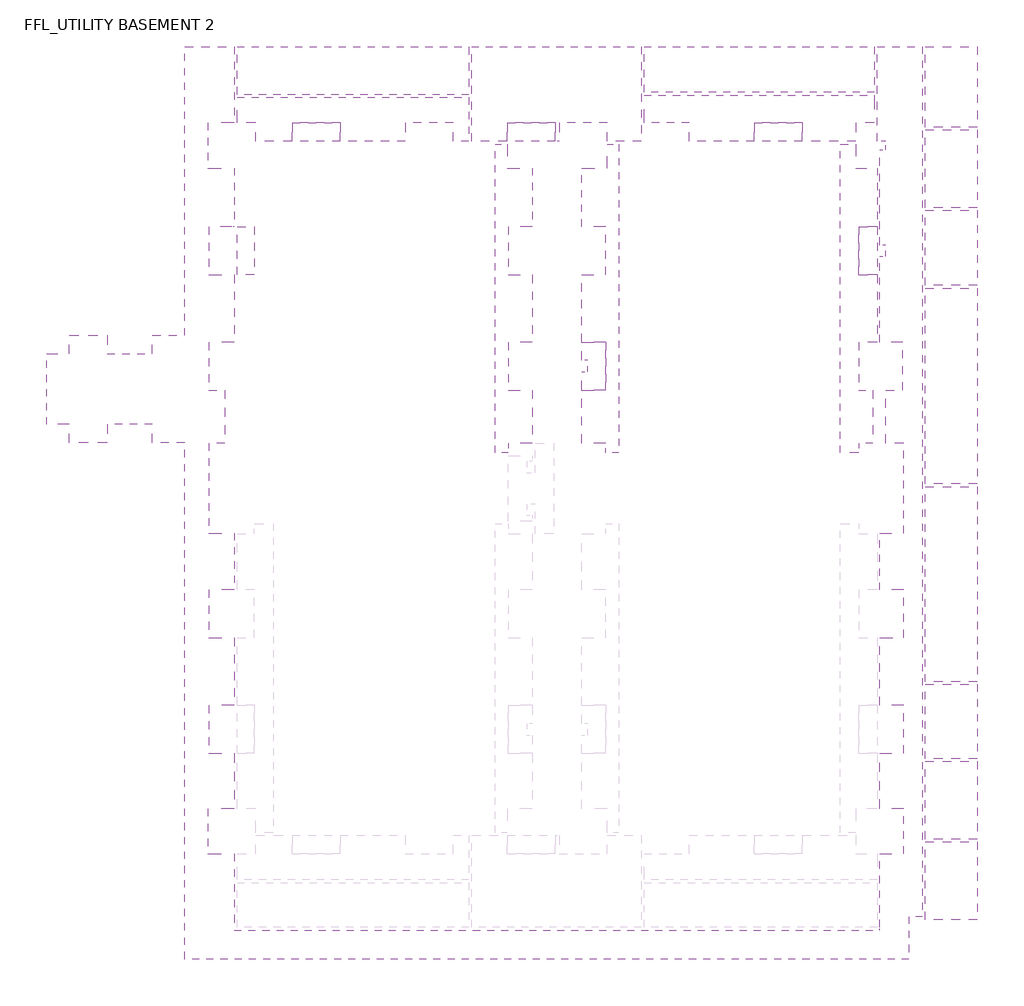
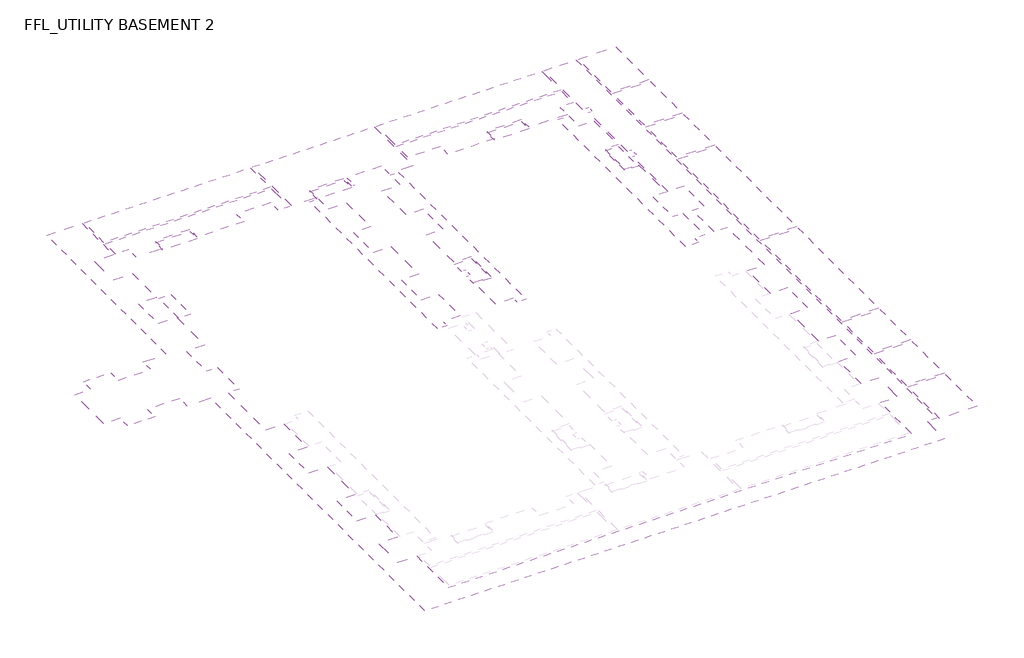
# One storey, part 3 of 3: 23 coverings.
"""IFC4 building model written with IfcOpenShell, lengths in millimetres."""

from ifc_helpers import new_model, si_unit, frame, origin, place, context, project, spatial, polyline, outline, extrude, element, save

model = new_model("IFC4")

# Units and contexts
model_context = context("Model", 3, world=origin())
ifc_project = project(units=[si_unit("LENGTHUNIT", "METRE", prefix="MILLI")], contexts=[model_context])

# Site, building, storey
site = spatial("IfcSite", under=ifc_project)
building = spatial("IfcBuilding", under=site)
storey = spatial("IfcBuildingStorey", under=building, Name="FFL_UTILITY BASEMENT 2", Elevation=-10050.0)

# Coverings
placement = place(None, origin())
element("IfcCovering", 1, ObjectType="Plaster Paint", at=placement, inside=storey, context=model_context, shape_type="SweptSolid", body=[
    extrude(outline(polyline([(-42855.1920273, -45059.652132), (-42855.1920273, -66929.7870746), (-44205.1920273, -66929.7870746), (-44205.1920273, -66229.652132), (-45155.1920273, -66229.652132), (-45155.1920273, -62479.652132), (-44205.1920273, -62479.652132), (-44205.1920273, -59079.652132), (-45405.1920273, -59079.652132), (-45405.1920273, -54309.652132), (-44205.1920273, -54309.652132), (-44205.1920273, -50909.652132), (-45405.1920273, -50909.652132), (-45405.1920273, -46759.652132), (-44105.1920273, -46759.652132), (-44105.1920273, -45059.652132), (-42855.1920273, -45059.652132)])), frame((0.0, 0.0, -3590.0), z_axis=(0.0, 0.0, 1.0), x_axis=(1.0, 0.0, 0.0)), (0.0, 0.0, 1.0), 20.0),
    extrude(outline(polyline([(-58905.1920273, -38159.652132), (-49305.1920273, -38159.652132), (-49305.1920273, -43859.652132), (-51405.1920273, -43859.652132), (-51405.1920273, -42559.652132), (-54605.1920273, -42559.652132), (-54605.1920273, -43859.652132), (-57305.1920273, -43859.652132), (-57305.1920273, -42559.652132), (-58905.1920273, -42559.652132), (-58905.1920273, -38159.652132)])), frame((0.0, 0.0, -3590.0), z_axis=(0.0, 0.0, 1.0), x_axis=(1.0, 0.0, 0.0)), (0.0, 0.0, 1.0), 20.0),
    extrude(outline(polyline([(-57305.1920273, -45959.652132), (-57305.1920273, -44059.652132), (-54605.1920273, -44059.652132), (-54605.1920273, -45959.652132), (-53305.1920273, -45959.652132), (-53305.1920273, -48259.652132), (-54605.1920273, -48259.652132), (-54605.1920273, -51659.6521321), (-53305.1920273, -51659.6521321), (-53305.1920273, -56509.6534716), (-54605.1920273, -56509.6534716), (-54605.1920273, -58409.652132), (-57305.1920273, -58409.652132), (-57305.1920273, -56509.6534716), (-58905.1920273, -56509.6534716), (-58905.1920273, -51659.652132), (-57305.1920273, -51659.652132), (-57305.1920273, -48259.652132), (-58905.1920273, -48259.652132), (-58905.1920273, -45959.652132), (-57305.1920273, -45959.652132)])), frame((0.0, 0.0, -3590.0), z_axis=(0.0, 0.0, 1.0), x_axis=(1.0, 0.0, 0.0)), (0.0, 0.0, 1.0), 20.0),
    extrude(outline(polyline([(-49305.1920273, -44059.652132), (-49305.1920273, -49559.652132), (-51405.1920273, -49559.652132), (-51405.1920273, -48259.652132), (-53105.1920273, -48259.652132), (-53105.1920273, -45959.652132), (-51405.1920273, -45959.652132), (-51405.1920273, -44059.652132), (-49305.1920273, -44059.652132)])), frame((0.0, 0.0, -3590.0), z_axis=(0.0, 0.0, 1.0), x_axis=(1.0, 0.0, 0.0)), (0.0, 0.0, 1.0), 20.0),
    extrude(outline(polyline([(-51405.1920273, -51659.6521321), (-51405.1920273, -49759.652132), (-49305.1920273, -49759.652132), (-49305.1920273, -53759.652132), (-53105.1920273, -53759.652132), (-53105.1920273, -51659.6521321), (-53005.1920273, -51659.6521321), (-51405.1920273, -51659.6521321)])), frame((0.0, 0.0, -3590.0), z_axis=(0.0, 0.0, 1.0), x_axis=(1.0, 0.0, 0.0)), (0.0, 0.0, 1.0), 20.0),
    extrude(outline(polyline([(-53105.1920273, -53959.652132), (-49305.1920273, -53959.652132), (-49305.1920273, -58409.652132), (-51405.1920273, -58409.652132), (-51405.1920273, -56509.6534716), (-53105.1920273, -56509.6534716), (-53105.1920273, -53959.652132)])), frame((0.0, 0.0, -3590.0), z_axis=(0.0, 0.0, 1.0), x_axis=(1.0, 0.0, 0.0)), (0.0, 0.0, 1.0), 20.0),
    extrude(outline(polyline([(-58905.1920273, -64909.6534716), (-58905.1920273, -59909.6534716), (-57305.1920273, -59909.6534716), (-57305.1920273, -58609.6534716), (-54605.1920273, -58609.6534716), (-54605.1920273, -59909.6534716), (-51405.1920273, -59909.6534716), (-51405.1920273, -58609.652132), (-49105.1920273, -58609.652132), (-49105.1920273, -38159.652132), (-45605.1920273, -38159.652132), (-45605.1920273, -43559.652132), (-47505.1920273, -43559.652132), (-47505.1920273, -46759.652132), (-45605.1920273, -46759.652132), (-45605.1920273, -50909.652132), (-45805.1920273, -50909.652132), (-47405.1920273, -50909.652132), (-47405.1920273, -54309.652132), (-45605.1920273, -54309.652132), (-45605.1920273, -59079.652132), (-47405.1920273, -59079.652132), (-47405.1920273, -62479.652132), (-46305.1920273, -62479.652132), (-46305.1920273, -66229.652132), (-47405.1920273, -66229.652132), (-47405.1920273, -72609.652132), (-45605.1920273, -72609.652132), (-45605.1920273, -76609.652132), (-47405.1920273, -76609.652132), (-47405.1920273, -80009.652132), (-45605.1920273, -80009.652132), (-45605.1920273, -84799.652132), (-47405.1920273, -84799.652132), (-47405.1920273, -88199.652132), (-45605.1920273, -88199.652132), (-45605.1920273, -92109.652132), (-47505.1920273, -92109.652132), (-47505.1920273, -95309.652132), (-45605.1920273, -95309.652132), (-45605.1920273, -100709.652132), (94.8079727, -100709.652132), (94.8079727, -100509.652132), (94.8079727, -95309.652132), (1794.8079727, -95309.652132), (1794.8079727, -92109.652132), (94.8079727, -92109.652132), (94.8079727, -88199.652132), (1794.8079727, -88199.652132), (1794.8079727, -84799.652132), (94.8079727, -84799.652132), (94.8079727, -80004.652132), (194.8079727, -80004.652132), (1794.8079727, -80004.652132), (1794.8079727, -76604.652132), (94.8079727, -76604.652132), (94.8079727, -72629.652132), (1794.8079727, -72629.652132), (1794.8079727, -66229.652132), (494.8079727, -66229.652132), (494.8079727, -62479.652132), (1694.8079727, -62479.652132), (1694.8079727, -59079.652132), (94.8079727, -59079.652132), (94.8079727, -53009.652132), (494.8079727, -53009.652132), (494.8079727, -52209.652132), (94.8079727, -52209.652132), (94.8079727, -45459.652132), (494.8079727, -45459.652132), (494.8079727, -44859.652132), (-105.1920273, -44859.652132), (-105.1920273, -38159.652132), (3094.8079727, -38159.652132), (3094.8079727, -99759.6521322), (2144.8079727, -99759.6521322), (2144.8079727, -102759.6521322), (-49105.1920273, -102759.6521322), (-49105.1920273, -66209.652132), (-51405.1920273, -66209.652132), (-51405.1920273, -64909.6534716), (-54605.1920273, -64909.6534716), (-54605.1920273, -66209.6534716), (-57305.1920273, -66209.6534716), (-57305.1920273, -64909.6534716), (-58905.1920273, -64909.6534716)])), frame((0.0, 0.0, -3590.0), z_axis=(0.0, 0.0, 1.0), x_axis=(1.0, 0.0, 0.0)), (0.0, 0.0, 1.0), 20.0),
    extrude(outline(polyline([(-42855.1920273, -67129.7870746), (-42855.1920273, -68329.652132), (-41505.1920273, -68329.652132), (-41505.1920273, -70549.652132), (-42855.1920273, -70549.652132), (-42855.1920273, -71749.7870746), (-44205.1920273, -71749.7870746), (-44205.1920273, -67129.7870746), (-42855.1920273, -67129.7870746)])), frame((0.0, 0.0, -3590.0), z_axis=(0.0, 0.0, 1.0), x_axis=(1.0, 0.0, 0.0)), (0.0, 0.0, 1.0), 20.0),
    extrude(outline(polyline([(-33505.1920273, -68329.652132), (-33505.1920273, -70549.652132), (-38105.1920273, -70549.652132), (-38105.1920273, -68329.652132), (-33505.1920273, -68329.652132)])), frame((0.0, 0.0, -3590.0), z_axis=(0.0, 0.0, 1.0), x_axis=(1.0, 0.0, 0.0)), (0.0, 0.0, 1.0), 20.0),
    extrude(outline(polyline([(-30105.1920273, -68329.652132), (-27155.1920273, -68329.652132), (-27155.1920273, -67129.7870746), (-26205.1920273, -67129.7870746), (-26205.1920273, -71749.7870746), (-27155.1920273, -71749.7870746), (-27155.1920273, -70549.652132), (-30105.1920273, -70549.652132), (-30105.1920273, -68329.652132)])), frame((0.0, 0.0, -3590.0), z_axis=(0.0, 0.0, 1.0), x_axis=(1.0, 0.0, 0.0)), (0.0, 0.0, 1.0), 20.0),
    extrude(outline(polyline([(-22905.1920273, -93809.652132), (-22905.1920273, -92109.652132), (-24305.1920273, -92109.652132), (-24305.1920273, -88199.652132), (-23005.1920273, -88199.652132), (-23005.1920273, -84799.652132), (-24305.1920273, -84799.652132), (-24305.1920273, -80000.1209928), (-23005.1920273, -80000.1209928), (-23005.1920273, -76609.652132), (-24305.1920273, -76609.652132), (-24305.1920273, -72649.652132), (-23005.1920273, -72649.652132), (-23005.1920273, -66229.652132), (-24305.1920273, -66229.652132), (-24305.1920273, -62479.652132), (-23005.1920273, -62479.652132), (-23005.1920273, -59079.652132), (-24305.1920273, -59079.652132), (-24305.1920273, -54309.652132), (-23005.1920273, -54309.652132), (-23005.1920273, -50909.652132), (-24305.1920273, -50909.652132), (-24305.1920273, -46759.652132), (-22905.1920273, -46759.652132), (-22905.1920273, -45059.652132), (-22605.1920273, -45059.652132), (-22605.1920273, -46759.652132), (-21205.1920273, -46759.652132), (-21205.1920273, -50909.652132), (-22505.1920273, -50909.652132), (-22505.1920273, -54309.652132), (-21205.1920273, -54309.652132), (-21205.1920273, -59079.652132), (-22505.1920273, -59079.652132), (-22505.1920273, -62479.652132), (-21205.1920273, -62479.652132), (-21205.1920273, -66229.652132), (-22505.1920273, -66229.652132), (-22505.1920273, -72649.652132), (-21205.1920273, -72649.652132), (-21205.1920273, -76609.652132), (-22505.1920273, -76609.652132), (-22505.1920273, -80000.1209928), (-21205.1920273, -80000.1209928), (-21205.1920273, -84799.652132), (-22505.1920273, -84799.652132), (-22505.1920273, -88199.652132), (-21205.1920273, -88199.652132), (-21205.1920273, -92109.652132), (-22605.1920273, -92109.652132), (-22605.1920273, -93809.652132), (-22905.1920273, -93809.652132)])), frame((0.0, 0.0, -3590.0), z_axis=(0.0, 0.0, 1.0), x_axis=(1.0, 0.0, 0.0)), (0.0, 0.0, 1.0), 20.0),
    extrude(outline(polyline([(-41505.1920273, -45059.652132), (-41505.1920273, -46759.652132), (-38105.1920273, -46759.652132), (-38105.1920273, -45059.652132), (-33505.1920273, -45059.652132), (-33505.1920273, -46759.652132), (-30105.1920273, -46759.652132), (-30105.1920273, -45059.652132), (-27355.1920273, -45059.652132), (-27355.1920273, -68129.652132), (-30105.1920273, -68129.652132), (-30105.1920273, -66429.652132), (-33505.1920273, -66429.652132), (-33505.1920273, -68129.652132), (-38105.1920273, -68129.652132), (-38105.1920273, -66429.652132), (-41505.1920273, -66429.652132), (-41505.1920273, -68129.652132), (-42655.1920273, -68129.652132), (-42655.1920273, -45059.652132), (-41505.1920273, -45059.652132)]), holes=[polyline([(-38105.1920273, -51109.652132), (-41505.1920273, -51109.652132), (-41505.1920273, -54309.652132), (-38105.1920273, -54309.652132), (-38105.1920273, -51109.652132)]), polyline([(-30105.1920273, -51109.652132), (-33505.1920273, -51109.652132), (-33505.1920273, -54309.652132), (-30105.1920273, -54309.652132), (-30105.1920273, -51109.652132)]), polyline([(-41505.1920273, -59179.652132), (-41505.1920273, -62379.652132), (-38105.1920273, -62379.652132), (-38105.1920273, -59179.652132), (-41505.1920273, -59179.652132)]), polyline([(-33505.1920273, -59179.652132), (-33505.1920273, -62379.652132), (-30105.1920273, -62379.652132), (-30105.1920273, -59179.652132), (-33505.1920273, -59179.652132)])]), frame((0.0, 0.0, -3590.0), z_axis=(0.0, 0.0, 1.0), x_axis=(1.0, 0.0, 0.0)), (0.0, 0.0, 1.0), 20.0),
    extrude(outline(polyline([(-41505.1920273, -70749.652132), (-41505.1920273, -72449.652132), (-38105.1920273, -72449.652132), (-38105.1920273, -70749.652132), (-33505.1920273, -70749.652132), (-33505.1920273, -72449.652132), (-30105.1920273, -72449.652132), (-30105.1920273, -70749.652132), (-27355.1920273, -70749.652132), (-27355.1920273, -93819.652132), (-30105.1920273, -93819.652132), (-30105.1920273, -92119.652132), (-33505.1920273, -92119.652132), (-33505.1920273, -93819.652132), (-38105.1920273, -93819.652132), (-38105.1920273, -92119.652132), (-41505.1920273, -92119.652132), (-41505.1920273, -93819.652132), (-42655.1920273, -93819.652132), (-42655.1920273, -70749.652132), (-41505.1920273, -70749.652132)]), holes=[polyline([(-30105.1920273, -76709.652132), (-33505.1920273, -76709.652132), (-33505.1920273, -79909.652132), (-30105.1920273, -79909.652132), (-30105.1920273, -76709.652132)]), polyline([(-38105.1920273, -76709.652132), (-41505.1920273, -76709.652132), (-41505.1920273, -79909.652132), (-38105.1920273, -79909.652132), (-38105.1920273, -76709.652132)]), polyline([(-30105.1920273, -84899.652132), (-33505.1920273, -84899.652132), (-33505.1920273, -88099.652132), (-30105.1920273, -88099.652132), (-30105.1920273, -84899.652132)]), polyline([(-41505.1920273, -84899.652132), (-41505.1920273, -88099.652132), (-38105.1920273, -88099.652132), (-38105.1920273, -84899.652132), (-41505.1920273, -84899.652132)])]), frame((0.0, 0.0, -3590.0), z_axis=(0.0, 0.0, 1.0), x_axis=(1.0, 0.0, 0.0)), (0.0, 0.0, 1.0), 20.0),
    extrude(outline(polyline([(-16805.1920273, -70749.652132), (-16805.1920273, -72449.652132), (-13405.1920273, -72449.652132), (-13405.1920273, -70749.652132), (-8805.1920273, -70749.652132), (-8805.1920273, -72449.652132), (-5405.1920273, -72449.652132), (-5405.1920273, -70749.652132), (-2905.1920273, -70749.652132), (-2905.1920273, -93819.652132), (-5405.1920273, -93819.652132), (-5405.1920273, -92119.652132), (-8805.1920273, -92119.652132), (-8805.1920273, -93819.652132), (-13405.1920273, -93819.652132), (-13405.1920273, -92119.652132), (-16805.1920273, -92119.652132), (-16805.1920273, -93819.652132), (-18205.1920273, -93819.652132), (-18205.1920273, -70749.652132), (-16805.1920273, -70749.652132)]), holes=[polyline([(-13405.1920273, -76709.652132), (-16805.1920273, -76709.652132), (-16805.1920273, -79909.652132), (-13405.1920273, -79909.652132), (-13405.1920273, -76709.652132)]), polyline([(-5405.1920273, -76709.652132), (-8805.1920273, -76709.652132), (-8805.1920273, -79909.652132), (-5405.1920273, -79909.652132), (-5405.1920273, -76709.652132)]), polyline([(-8805.1920273, -84899.652132), (-8805.1920273, -88099.652132), (-5405.1920273, -88099.652132), (-5405.1920273, -84899.652132), (-8805.1920273, -84899.652132)]), polyline([(-16805.1920273, -84899.652132), (-16805.1920273, -88099.652132), (-13405.1920273, -88099.652132), (-13405.1920273, -84899.652132), (-16805.1920273, -84899.652132)])]), frame((0.0, 0.0, -3590.0), z_axis=(0.0, 0.0, 1.0), x_axis=(1.0, 0.0, 0.0)), (0.0, 0.0, 1.0), 20.0),
    extrude(outline(polyline([(-8805.1920273, -68329.652132), (-8805.1920273, -70549.652132), (-13405.1920273, -70549.652132), (-13405.1920273, -68329.652132), (-8805.1920273, -68329.652132)])), frame((0.0, 0.0, -3590.0), z_axis=(0.0, 0.0, 1.0), x_axis=(1.0, 0.0, 0.0)), (0.0, 0.0, 1.0), 20.0),
    extrude(outline(polyline([(-19305.1920273, -71749.7870746), (-19305.1920273, -67129.7870746), (-18405.1920273, -67129.7870746), (-18405.1920273, -68329.652132), (-16805.1920273, -68329.652132), (-16805.1920273, -70549.652132), (-18405.1920273, -70549.652132), (-18405.1920273, -71749.7870746), (-19305.1920273, -71749.7870746)])), frame((0.0, 0.0, -3590.0), z_axis=(0.0, 0.0, 1.0), x_axis=(1.0, 0.0, 0.0)), (0.0, 0.0, 1.0), 20.0),
    extrude(outline(polyline([(-2705.1920273, -70549.652132), (-5405.1920273, -70549.652132), (-5405.1920273, -68329.652132), (-2705.1920273, -68329.652132), (-2705.1920273, -67129.7870746), (-1405.1920273, -67129.7870746), (-1405.1920273, -71749.5171895), (-2705.1920273, -71749.5171895), (-2705.1920273, -70549.652132)])), frame((0.0, 0.0, -3590.0), z_axis=(0.0, 0.0, 1.0), x_axis=(1.0, 0.0, 0.0)), (0.0, 0.0, 1.0), 20.0),
    extrude(outline(polyline([(-16805.1920273, -45059.652132), (-16805.1920273, -46759.652132), (-13405.1920273, -46759.652132), (-13405.1920273, -45059.652132), (-8805.1920273, -45059.652132), (-8805.1920273, -46759.652132), (-5405.1920273, -46759.652132), (-5405.1920273, -45059.652132), (-2905.1920273, -45059.652132), (-2905.1920273, -68129.652132), (-5405.1920273, -68129.652132), (-5405.1920273, -66429.652132), (-8805.1920273, -66429.652132), (-8805.1920273, -68129.652132), (-13405.1920273, -68129.652132), (-13405.1920273, -66429.652132), (-16805.1920273, -66429.652132), (-16805.1920273, -68129.652132), (-18205.1920273, -68129.652132), (-18205.1920273, -45059.652132), (-16805.1920273, -45059.652132)]), holes=[polyline([(-5405.1920273, -51109.652132), (-8805.1920273, -51109.652132), (-8805.1920273, -54309.652132), (-5405.1920273, -54309.652132), (-5405.1920273, -51109.652132)]), polyline([(-13405.1920273, -51109.652132), (-16805.1920273, -51109.652132), (-16805.1920273, -54309.652132), (-13405.1920273, -54309.652132), (-13405.1920273, -51109.652132)]), polyline([(-13405.1920273, -59179.652132), (-16805.1920273, -59179.652132), (-16805.1920273, -62379.652132), (-13405.1920273, -62379.652132), (-13405.1920273, -59179.652132)]), polyline([(-5405.1920273, -59179.652132), (-8805.1920273, -59179.652132), (-8805.1920273, -62379.652132), (-5405.1920273, -62379.652132), (-5405.1920273, -59179.652132)])]), frame((0.0, 0.0, -3590.0), z_axis=(0.0, 0.0, 1.0), x_axis=(1.0, 0.0, 0.0)), (0.0, 0.0, 1.0), 20.0),
    extrude(outline(polyline([(-49305.1920273, -99559.652132), (-49305.1920273, -102759.6521322), (-56355.1920273, -102759.6521322), (-56355.1920273, -99559.652132), (-49305.1920273, -99559.652132)])), frame((0.0, 0.0, -3590.0), z_axis=(0.0, 0.0, 1.0), x_axis=(1.0, 0.0, 0.0)), (0.0, 0.0, 1.0), 20.0),
    extrude(outline(polyline([(-56355.1920273, -95359.652132), (-54605.1920273, -95359.652132), (-54605.1920273, -96659.652132), (-51405.1920273, -96659.652132), (-51405.1920273, -95359.652132), (-49305.1920273, -95359.652132), (-49305.1920273, -99359.652132), (-56355.1920273, -99359.652132), (-56355.1920273, -95359.652132)])), frame((0.0, 0.0, -3590.0), z_axis=(0.0, 0.0, 1.0), x_axis=(1.0, 0.0, 0.0)), (0.0, 0.0, 1.0), 20.0),
    extrude(outline(polyline([(-49305.1920273, -89609.652132), (-49305.1920273, -95159.652132), (-51405.1920273, -95159.652132), (-51405.1920273, -93259.652132), (-54605.1920273, -93259.652132), (-54605.1920273, -95159.652132), (-56355.1920273, -95159.652132), (-56355.1920273, -89609.652132), (-54605.1920273, -89609.652132), (-54605.1920273, -90909.652132), (-51405.1920273, -90909.652132), (-51405.1920273, -89609.652132), (-49305.1920273, -89609.652132)])), frame((0.0, 0.0, -3590.0), z_axis=(0.0, 0.0, 1.0), x_axis=(1.0, 0.0, 0.0)), (0.0, 0.0, 1.0), 20.0),
    extrude(outline(polyline([(-56355.1920273, -85409.6521322), (-49305.1920273, -85409.6521322), (-49305.1920273, -89409.652132), (-51405.1920273, -89409.652132), (-51405.1920273, -87509.652132), (-54605.1920273, -87509.652132), (-54605.1920273, -89409.6521322), (-56355.1920273, -89409.6521322), (-56355.1920273, -85409.6521322)])), frame((0.0, 0.0, -3590.0), z_axis=(0.0, 0.0, 1.0), x_axis=(1.0, 0.0, 0.0)), (0.0, 0.0, 1.0), 20.0),
    extrude(outline(polyline([(-56355.1920273, -78459.6521322), (-49305.1920273, -78459.6521322), (-49305.1920273, -85209.6521322), (-51405.1920273, -85209.6521322), (-51405.1920273, -81809.652132), (-54605.1920273, -81809.652132), (-54605.1920273, -85209.6521322), (-56355.1920273, -85209.6521322), (-56355.1920273, -78459.6521322)])), frame((0.0, 0.0, -3590.0), z_axis=(0.0, 0.0, 1.0), x_axis=(1.0, 0.0, 0.0)), (0.0, 0.0, 1.0), 20.0),
    extrude(outline(polyline([(-57305.1920273, -74459.652132), (-57305.1920273, -72559.652132), (-49305.1920273, -72559.652132), (-49305.1920273, -78259.6521322), (-58905.1920273, -78259.6521322), (-58905.1920273, -74459.652132), (-57305.1920273, -74459.652132)]), holes=[polyline([(-51405.1920273, -73359.652132), (-54605.1920273, -73359.652132), (-54605.1920273, -76759.652132), (-51405.1920273, -76759.652132), (-51405.1920273, -73359.652132)])]), frame((0.0, 0.0, -3590.0), z_axis=(0.0, 0.0, 1.0), x_axis=(1.0, 0.0, 0.0)), (0.0, 0.0, 1.0), 20.0),
    extrude(outline(polyline([(-57305.1920273, -71059.652132), (-58905.1920273, -71059.652132), (-58905.1920273, -68309.6534716), (-57305.1920273, -68309.6534716), (-57305.1920273, -66409.652132), (-54605.1920273, -66409.652132), (-54605.1920273, -68309.6534716), (-51405.1920273, -68309.6534716), (-51405.1920273, -66409.652132), (-49305.1920273, -66409.652132), (-49305.1920273, -72359.652132), (-57305.1920273, -72359.652132), (-57305.1920273, -71059.652132)])), frame((0.0, 0.0, -3590.0), z_axis=(0.0, 0.0, 1.0), x_axis=(1.0, 0.0, 0.0)), (0.0, 0.0, 1.0), 20.0),
])
element("IfcCovering", 2, ObjectType="Plaster Paint", at=placement, inside=storey, context=model_context, shape_type="SweptSolid", body=[
    extrude(outline(polyline([(-18405.1920273, -45059.652132), (-18405.1920273, -66929.7870746), (-19305.1920273, -66929.7870746), (-19305.1920273, -66229.652132), (-21005.1920273, -66229.652132), (-21005.1920273, -62479.652132), (-19305.1920273, -62479.652132), (-19305.1920273, -59079.652132), (-21005.1920273, -59079.652132), (-21005.1920273, -54309.652132), (-19305.1920273, -54309.652132), (-19305.1920273, -50909.652132), (-21005.1920273, -50909.652132), (-21005.1920273, -46759.652132), (-19205.1920273, -46759.652132), (-19205.1920273, -45059.652132), (-18405.1920273, -45059.652132)])), frame((0.0, 0.0, -3590.0), z_axis=(0.0, 0.0, 1.0), x_axis=(1.0, 0.0, 0.0)), (0.0, 0.0, 1.0), 20.0),
])
element("IfcCovering", 3, ObjectType="Plaster Paint", at=placement, inside=storey, context=model_context, shape_type="SweptSolid", body=[
    extrude(outline(polyline([(-19205.1920273, -45059.652132), (-19205.1920273, -46759.652132), (-21005.1920273, -46759.652132), (-21005.1920273, -45459.652132), (-20505.1920273, -45459.652132), (-20505.1920273, -45059.652132), (-19205.1920273, -45059.652132)])), frame((0.0, 0.0, -3750.0), z_axis=(0.0, 0.0, 1.0), x_axis=(1.0, 0.0, 0.0)), (0.0, 0.0, 1.0), 20.0),
    extrude(outline(polyline([(-21005.1920273, -50909.652132), (-19305.1920273, -50909.652132), (-19305.1920273, -54309.652132), (-21005.1920273, -54309.652132), (-21005.1920273, -53009.652132), (-20605.1920273, -53009.652132), (-20605.1920273, -52209.652132), (-21005.1920273, -52209.652132), (-21005.1920273, -50909.652132)])), frame((0.0, 0.0, -3750.0), z_axis=(0.0, 0.0, 1.0), x_axis=(1.0, 0.0, 0.0)), (0.0, 0.0, 1.0), 20.0),
    extrude(outline(polyline([(-19305.1920273, -59079.652132), (-19305.1920273, -62479.652132), (-21005.1920273, -62479.652132), (-21005.1920273, -61179.652132), (-20605.1920273, -61179.652132), (-20605.1920273, -60379.652132), (-21005.1920273, -60379.652132), (-21005.1920273, -59079.652132), (-19305.1920273, -59079.652132)])), frame((0.0, 0.0, -3750.0), z_axis=(0.0, 0.0, 1.0), x_axis=(1.0, 0.0, 0.0)), (0.0, 0.0, 1.0), 20.0),
    extrude(outline(polyline([(-19305.1920273, -66229.652132), (-19305.1920273, -66929.7870746), (-21005.1920273, -66929.7870746), (-21005.1920273, -66229.652132), (-19305.1920273, -66229.652132)])), frame((0.0, 0.0, -3750.0), z_axis=(0.0, 0.0, 1.0), x_axis=(1.0, 0.0, 0.0)), (0.0, 0.0, 1.0), 20.0),
])
element("IfcCovering", 4, ObjectType="Plaster Paint", at=placement, inside=storey, context=model_context, shape_type="SweptSolid", body=[
    extrude(outline(polyline([(-27155.1920273, -45059.652132), (-26305.1920273, -45059.652132), (-26305.1920273, -46759.652132), (-24505.1920273, -46759.652132), (-24505.1920273, -50909.652132), (-26205.1920273, -50909.652132), (-26205.1920273, -54309.652132), (-24505.1920273, -54309.652132), (-24505.1920273, -59079.652132), (-26205.1920273, -59079.652132), (-26205.1920273, -62479.652132), (-24505.1920273, -62479.652132), (-24505.1920273, -66229.652132), (-26205.1920273, -66229.652132), (-26205.1920273, -66929.7870746), (-27155.1920273, -66929.7870746), (-27155.1920273, -45059.652132)])), frame((0.0, 0.0, -3590.0), z_axis=(0.0, 0.0, 1.0), x_axis=(1.0, 0.0, 0.0)), (0.0, 0.0, 1.0), 20.0),
])
element("IfcCovering", 5, ObjectType="Plaster Paint", at=placement, inside=storey, context=model_context, shape_type="SweptSolid", body=[
    extrude(outline(polyline([(-2705.1920273, -45059.652132), (-1605.1920273, -45059.652132), (-1605.1920273, -46759.652132), (-105.1920273, -46759.652132), (-105.1920273, -50909.652132), (-1405.1920273, -50909.652132), (-1405.1920273, -54309.652132), (-105.1920273, -54309.652132), (-105.1920273, -59079.652132), (-1405.1920273, -59079.652132), (-1405.1920273, -62479.652132), (-405.1920273, -62479.652132), (-405.1920273, -66229.652132), (-1405.1920273, -66229.652132), (-1405.1920273, -66929.7870746), (-2705.1920273, -66929.7870746), (-2705.1920273, -45059.652132)])), frame((0.0, 0.0, -3590.0), z_axis=(0.0, 0.0, 1.0), x_axis=(1.0, 0.0, 0.0)), (0.0, 0.0, 1.0), 20.0),
])
element("IfcCovering", 6, ObjectType="Plaster Paint", at=placement, inside=storey, context=model_context, shape_type="SweptSolid", body=[
    extrude(outline(polyline([(-1605.1920273, -45059.652132), (-305.1920273, -45059.652132), (-305.1920273, -45459.652132), (-105.1920273, -45459.652132), (-105.1920273, -46759.652132), (-1605.1920273, -46759.652132), (-1605.1920273, -45059.652132)])), frame((0.0, 0.0, -3750.0), z_axis=(0.0, 0.0, 1.0), x_axis=(1.0, 0.0, 0.0)), (0.0, 0.0, 1.0), 20.0),
    extrude(outline(polyline([(-105.1920273, -50909.652132), (-105.1920273, -54309.652132), (-1405.1920273, -54309.652132), (-1405.1920273, -50909.652132), (-105.1920273, -50909.652132)])), frame((0.0, 0.0, -3750.0), z_axis=(0.0, 0.0, 1.0), x_axis=(1.0, 0.0, 0.0)), (0.0, 0.0, 1.0), 20.0),
    extrude(outline(polyline([(-1405.1920273, -59079.652132), (-105.1920273, -59079.652132), (-105.1920273, -60379.652132), (-405.1920273, -60379.652132), (-405.1920273, -62479.652132), (-1405.1920273, -62479.652132), (-1405.1920273, -59079.652132)])), frame((0.0, 0.0, -3750.0), z_axis=(0.0, 0.0, 1.0), x_axis=(1.0, 0.0, 0.0)), (0.0, 0.0, 1.0), 20.0),
    extrude(outline(polyline([(-1405.1920273, -66229.652132), (-405.1920273, -66229.652132), (-405.1920273, -66929.7870746), (-1405.1920273, -66929.7870746), (-1405.1920273, -66229.652132)])), frame((0.0, 0.0, -3750.0), z_axis=(0.0, 0.0, 1.0), x_axis=(1.0, 0.0, 0.0)), (0.0, 0.0, 1.0), 20.0),
])
element("IfcCovering", 7, ObjectType="Plaster Paint", at=placement, inside=storey, context=model_context, shape_type="SweptSolid", body=[
    extrude(outline(polyline([(-44205.1920273, -66229.652132), (-44205.1920273, -66929.7870746), (-45155.1920273, -66929.7870746), (-45155.1920273, -66229.652132), (-44205.1920273, -66229.652132)])), frame((0.0, 0.0, -3750.0), z_axis=(0.0, 0.0, 1.0), x_axis=(1.0, 0.0, 0.0)), (0.0, 0.0, 1.0), 20.0),
    extrude(outline(polyline([(-44205.1920273, -62479.652132), (-45155.1920273, -62479.652132), (-45155.1920273, -60379.652132), (-45405.1920273, -60379.652132), (-45405.1920273, -59079.652132), (-44205.1920273, -59079.652132), (-44205.1920273, -62479.652132)])), frame((0.0, 0.0, -3750.0), z_axis=(0.0, 0.0, 1.0), x_axis=(1.0, 0.0, 0.0)), (0.0, 0.0, 1.0), 20.0),
    extrude(outline(polyline([(-45405.1920273, -54309.652132), (-45405.1920273, -50909.652132), (-44205.1920273, -50909.652132), (-44205.1920273, -54309.652132), (-45405.1920273, -54309.652132)])), frame((0.0, 0.0, -3750.0), z_axis=(0.0, 0.0, 1.0), x_axis=(1.0, 0.0, 0.0)), (0.0, 0.0, 1.0), 20.0),
    extrude(outline(polyline([(-44105.1920273, -46759.652132), (-45405.1920273, -46759.652132), (-45405.1920273, -45059.652132), (-44105.1920273, -45059.652132), (-44105.1920273, -46759.652132)])), frame((0.0, 0.0, -3750.0), z_axis=(0.0, 0.0, 1.0), x_axis=(1.0, 0.0, 0.0)), (0.0, 0.0, 1.0), 20.0),
])
element("IfcCovering", 8, ObjectType="Plaster Paint", at=placement, inside=storey, context=model_context, shape_type="SweptSolid", body=[
    extrude(outline(polyline([(-38105.1920273, -44859.652132), (-38105.1920273, -43559.652132), (-41505.1920273, -43559.652132), (-41505.1920273, -44859.652132), (-44105.1920273, -44859.652132), (-44105.1920273, -43559.652132), (-45405.1920273, -43559.652132), (-45405.1920273, -41759.652132), (-29005.1920273, -41759.652132), (-29005.1920273, -44859.652132), (-30105.1920273, -44859.652132), (-30105.1920273, -43559.652132), (-33505.1920273, -43559.652132), (-33505.1920273, -44859.652132), (-38105.1920273, -44859.652132)])), frame((0.0, 0.0, -3590.0), z_axis=(0.0, 0.0, 1.0), x_axis=(1.0, 0.0, 0.0)), (0.0, 0.0, 1.0), 20.0),
])
element("IfcCovering", 9, ObjectType="Plaster Paint", at=placement, inside=storey, context=model_context, shape_type="SweptSolid", body=[
    extrude(outline(polyline([(-44105.1920273, -44859.652132), (-45405.1920273, -44859.652132), (-45405.1920273, -43559.652132), (-44105.1920273, -43559.652132), (-44105.1920273, -44859.652132)])), frame((0.0, 0.0, -3750.0), z_axis=(0.0, 0.0, 1.0), x_axis=(1.0, 0.0, 0.0)), (0.0, 0.0, 1.0), 20.0),
    extrude(outline(polyline([(-38105.1920273, -44859.652132), (-41505.1920273, -44859.652132), (-41505.1920273, -43559.652132), (-38105.1920273, -43559.652132), (-38105.1920273, -44859.652132)])), frame((0.0, 0.0, -3750.0), z_axis=(0.0, 0.0, 1.0), x_axis=(1.0, 0.0, 0.0)), (0.0, 0.0, 1.0), 20.0),
    extrude(outline(polyline([(-30105.1920273, -43559.652132), (-30105.1920273, -44859.652132), (-33505.1920273, -44859.652132), (-33505.1920273, -43559.652132), (-30105.1920273, -43559.652132)])), frame((0.0, 0.0, -3750.0), z_axis=(0.0, 0.0, 1.0), x_axis=(1.0, 0.0, 0.0)), (0.0, 0.0, 1.0), 20.0),
])
element("IfcCovering", 10, ObjectType="Plaster Paint", at=placement, inside=storey, context=model_context, shape_type="SweptSolid", body=[
    extrude(outline(polyline([(-19205.1920273, -43559.652132), (-19205.1920273, -44859.652132), (-22605.1920273, -44859.652132), (-22605.1920273, -43559.652132), (-19205.1920273, -43559.652132)])), frame((0.0, 0.0, -3750.0), z_axis=(0.0, 0.0, 1.0), x_axis=(1.0, 0.0, 0.0)), (0.0, 0.0, 1.0), 20.0),
    extrude(outline(polyline([(-22905.1920273, -43559.652132), (-22905.1920273, -44859.652132), (-26305.1920273, -44859.652132), (-26305.1920273, -43559.652132), (-22905.1920273, -43559.652132)])), frame((0.0, 0.0, -3750.0), z_axis=(0.0, 0.0, 1.0), x_axis=(1.0, 0.0, 0.0)), (0.0, 0.0, 1.0), 20.0),
])
element("IfcCovering", 11, ObjectType="Plaster Paint", at=placement, inside=storey, context=model_context, shape_type="SweptSolid", body=[
    extrude(outline(polyline([(-16805.1920273, -44859.652132), (-19205.1920273, -44859.652132), (-19205.1920273, -43559.652132), (-22605.1920273, -43559.652132), (-22605.1920273, -44859.652132), (-22905.1920273, -44859.652132), (-22905.1920273, -43559.652132), (-26305.1920273, -43559.652132), (-26305.1920273, -44859.652132), (-28805.1920273, -44859.652132), (-28805.1920273, -38159.652132), (-16805.1920273, -38159.652132), (-16805.1920273, -44859.652132)])), frame((0.0, 0.0, -3590.0), z_axis=(0.0, 0.0, 1.0), x_axis=(1.0, 0.0, 0.0)), (0.0, 0.0, 1.0), 20.0),
])
element("IfcCovering", 12, ObjectType="Plaster Paint", at=placement, inside=storey, context=model_context, shape_type="SweptSolid", body=[
    extrude(outline(polyline([(-1605.1920273, -44859.652132), (-1605.1920273, -43559.652132), (-305.1920273, -43559.652132), (-305.1920273, -44859.652132), (-1605.1920273, -44859.652132)])), frame((0.0, 0.0, -3750.0), z_axis=(0.0, 0.0, 1.0), x_axis=(1.0, 0.0, 0.0)), (0.0, 0.0, 1.0), 20.0),
    extrude(outline(polyline([(-8805.1920273, -44859.652132), (-8805.1920273, -43559.652132), (-5405.1920273, -43559.652132), (-5405.1920273, -44859.652132), (-8805.1920273, -44859.652132)])), frame((0.0, 0.0, -3750.0), z_axis=(0.0, 0.0, 1.0), x_axis=(1.0, 0.0, 0.0)), (0.0, 0.0, 1.0), 20.0),
    extrude(outline(polyline([(-16605.1920273, -43559.652132), (-13405.1920273, -43559.652132), (-13405.1920273, -44859.652132), (-16605.1920273, -44859.652132), (-16605.1920273, -43559.652132)])), frame((0.0, 0.0, -3750.0), z_axis=(0.0, 0.0, 1.0), x_axis=(1.0, 0.0, 0.0)), (0.0, 0.0, 1.0), 20.0),
])
element("IfcCovering", 13, ObjectType="Plaster Paint", at=placement, inside=storey, context=model_context, shape_type="SweptSolid", body=[
    extrude(outline(polyline([(-13405.1920273, -44859.652132), (-13405.1920273, -43559.652132), (-16605.1920273, -43559.652132), (-16605.1920273, -41609.652132), (-305.1920273, -41609.652132), (-305.1920273, -43559.652132), (-1605.1920273, -43559.652132), (-1605.1920273, -44859.652132), (-5405.1920273, -44859.652132), (-5405.1920273, -43559.652132), (-8805.1920273, -43559.652132), (-8805.1920273, -44859.652132), (-13405.1920273, -44859.652132)])), frame((0.0, 0.0, -3590.0), z_axis=(0.0, 0.0, 1.0), x_axis=(1.0, 0.0, 0.0)), (0.0, 0.0, 1.0), 20.0),
])
element("IfcCovering", 14, ObjectType="Plaster Paint", at=placement, inside=storey, context=model_context, shape_type="SweptSolid", body=[
    extrude(outline(polyline([(-16605.1920273, -41409.652132), (-16605.1920273, -38159.652132), (-305.1920273, -38159.652132), (-305.1920273, -41409.652132), (-16605.1920273, -41409.652132)])), frame((0.0, 0.0, -3590.0), z_axis=(0.0, 0.0, 1.0), x_axis=(1.0, 0.0, 0.0)), (0.0, 0.0, 1.0), 20.0),
])
element("IfcCovering", 15, ObjectType="Plaster Paint", at=placement, inside=storey, context=model_context, shape_type="SweptSolid", body=[
    extrude(outline(polyline([(-45405.1920273, -41559.652132), (-45405.1920273, -38159.652132), (-29005.1920273, -38159.652132), (-29005.1920273, -41559.652132), (-45405.1920273, -41559.652132)])), frame((0.0, 0.0, -3590.0), z_axis=(0.0, 0.0, 1.0), x_axis=(1.0, 0.0, 0.0)), (0.0, 0.0, 1.0), 20.0),
])
element("IfcCovering", 16, ObjectType="Plaster Paint", at=placement, inside=storey, context=model_context, shape_type="SweptSolid", body=[
    extrude(outline(polyline([(6994.8079727, -38159.652132), (6994.8079727, -43859.652132), (3294.8079727, -43859.652132), (3294.8079727, -38159.652132), (6994.8079727, -38159.652132)])), frame((0.0, 0.0, -3590.0), z_axis=(0.0, 0.0, 1.0), x_axis=(1.0, 0.0, 0.0)), (0.0, 0.0, 1.0), 20.0),
])
element("IfcCovering", 17, ObjectType="Plaster Paint", at=placement, inside=storey, context=model_context, shape_type="SweptSolid", body=[
    extrude(outline(polyline([(6994.8079727, -49559.652132), (3294.8079727, -49559.652132), (3294.8079727, -44059.652132), (6994.8079727, -44059.652132), (6994.8079727, -49559.652132)])), frame((0.0, 0.0, -3590.0), z_axis=(0.0, 0.0, 1.0), x_axis=(1.0, 0.0, 0.0)), (0.0, 0.0, 1.0), 20.0),
])
element("IfcCovering", 18, ObjectType="Plaster Paint", at=placement, inside=storey, context=model_context, shape_type="SweptSolid", body=[
    extrude(outline(polyline([(6994.8079727, -49759.652132), (6994.8079727, -55059.652132), (3294.8079727, -55059.652132), (3294.8079727, -49759.652132), (6994.8079727, -49759.652132)])), frame((0.0, 0.0, -3590.0), z_axis=(0.0, 0.0, 1.0), x_axis=(1.0, 0.0, 0.0)), (0.0, 0.0, 1.0), 20.0),
])
element("IfcCovering", 19, ObjectType="Plaster Paint", at=placement, inside=storey, context=model_context, shape_type="SweptSolid", body=[
    extrude(outline(polyline([(6994.8079727, -69109.652132), (3294.8079727, -69109.652132), (3294.8079727, -55259.652132), (6994.8079727, -55259.652132), (6994.8079727, -69109.652132)])), frame((0.0, 0.0, -3590.0), z_axis=(0.0, 0.0, 1.0), x_axis=(1.0, 0.0, 0.0)), (0.0, 0.0, 1.0), 20.0),
])
element("IfcCovering", 20, ObjectType="Plaster Paint", at=placement, inside=storey, context=model_context, shape_type="SweptSolid", body=[
    extrude(outline(polyline([(6994.8079727, -69309.652132), (6994.8079727, -83109.652132), (3294.8079727, -83109.652132), (3294.8079727, -69309.652132), (6994.8079727, -69309.652132)])), frame((0.0, 0.0, -3590.0), z_axis=(0.0, 0.0, 1.0), x_axis=(1.0, 0.0, 0.0)), (0.0, 0.0, 1.0), 20.0),
])
element("IfcCovering", 21, ObjectType="Plaster Paint", at=placement, inside=storey, context=model_context, shape_type="SweptSolid", body=[
    extrude(outline(polyline([(6994.8079727, -88559.6521322), (3294.8079727, -88559.6521322), (3294.8079727, -83309.652132), (6994.8079727, -83309.652132), (6994.8079727, -88559.6521322)])), frame((0.0, 0.0, -3590.0), z_axis=(0.0, 0.0, 1.0), x_axis=(1.0, 0.0, 0.0)), (0.0, 0.0, 1.0), 20.0),
])
element("IfcCovering", 22, ObjectType="Plaster Paint", at=placement, inside=storey, context=model_context, shape_type="SweptSolid", body=[
    extrude(outline(polyline([(6994.8079727, -88759.6521322), (6994.8079727, -94259.6521322), (3294.8079727, -94259.6521322), (3294.8079727, -88759.6521322), (6994.8079727, -88759.6521322)])), frame((0.0, 0.0, -3590.0), z_axis=(0.0, 0.0, 1.0), x_axis=(1.0, 0.0, 0.0)), (0.0, 0.0, 1.0), 20.0),
])
element("IfcCovering", 23, ObjectType="Plaster Paint", at=placement, inside=storey, context=model_context, shape_type="SweptSolid", body=[
    extrude(outline(polyline([(6994.8079727, -99959.6521322), (3294.8079727, -99959.6521322), (3294.8079727, -94459.6521322), (6994.8079727, -94459.6521322), (6994.8079727, -99959.6521322)])), frame((0.0, 0.0, -3590.0), z_axis=(0.0, 0.0, 1.0), x_axis=(1.0, 0.0, 0.0)), (0.0, 0.0, 1.0), 20.0),
])

save(model, "model.ifc")
